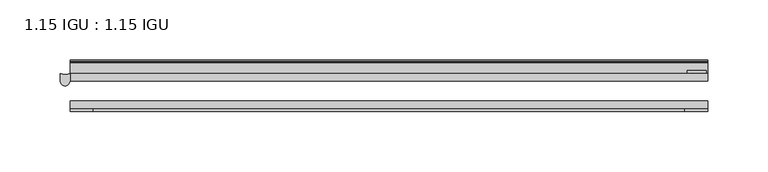
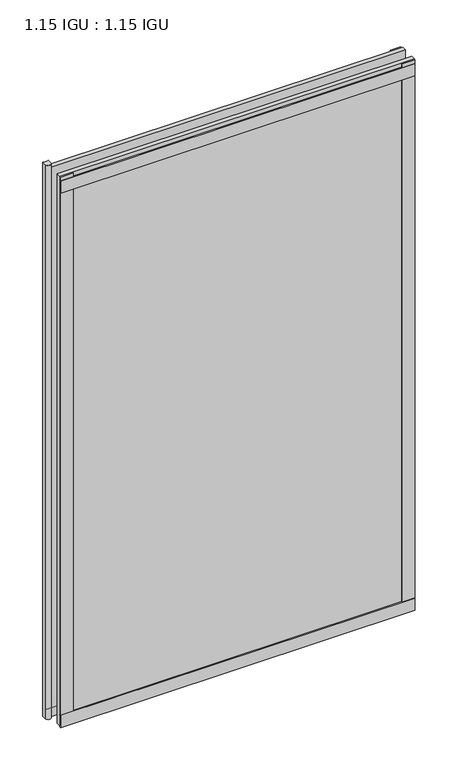
"""IFC4 building model written with IfcOpenShell, lengths in millimetres: plate geometry, 1.15 IGU : 1.15 IGU."""

from ifc_helpers import new_model, si_unit, point, frame, frame_2d, origin, place, context, project, spatial, polyline, circle_curve, ellipse_curve, trimmed, segment, composite_curve, outline, extrude, source, transform, mapped, element, save
from ifc_brep_helpers import plane_surface, revolved_surface, extruded_surface, advanced_brep


def plate_1_15_igu_1_15_igu_a8e708cb(model_context):
    return source(origin(), model_context, "Body", "SolidModel", [
        extrude(outline(polyline([(265.11885, 0.0), (265.11885, -6.2992), (-265.11885, -6.2992), (-265.11885, 0.0), (265.11885, 0.0)])), frame((0.0, 0.0, -17.4498), z_axis=(0.0, 0.0, 1.0), x_axis=(1.0, 0.0, 0.0)), (0.0, 0.0, 1.0), 868.3366072),
        extrude(outline(polyline([(-265.11885, -23.1648), (265.11885, -23.1648), (265.11885, -29.464), (-265.11885, -29.464), (-265.11885, -23.1648)])), frame((0.0, 0.0, -17.4498), z_axis=(0.0, 0.0, 1.0), x_axis=(1.0, 0.0, 0.0)), (0.0, 0.0, 1.0), 868.3366072),
        advanced_brep(
        [(-273.3683213, -0.0025551, -17.4498), (-265.11885, 0.0, -17.4498), (-265.11885, -6.2992, -17.4498), (-273.3683213, -6.2992, -17.4498), (-273.3683213, -0.0025551, 858.0242072), (-273.3683213, -6.2992, 858.0242072), (-265.1243787, -6.2992, 858.0242072), (-265.11885, 0.0, 858.0242072)],
        [
            (0, 1, circle_curve(frame((-269.24635, 8.9239208, -17.4498), z_axis=(0.0, 0.0, 1.0), x_axis=(1.0, 0.0, 0.0)), 9.8322235)),
            (1, 2),
            (2, 3, ellipse_curve(frame((-269.24635, -6.2992, -17.4498), z_axis=(0.0, 0.0, -1.0), x_axis=(1.0, 0.0, 0.0)), 4.1219713, 4.1275)),
            (3, 0),
            (4, 5),
            (5, 6, ellipse_curve(frame((-269.24635, -6.2992, 858.0242072), z_axis=(0.0, 0.0, 1.0), x_axis=(1.0, 0.0, 0.0)), 4.1219713, 4.1275)),
            (6, 7),
            (7, 4, circle_curve(frame((-269.24635, 8.9239208, 858.0242072), z_axis=(0.0, 0.0, -1.0), x_axis=(1.0, 0.0, 0.0)), 9.8322235)),
            (1, 7),
            (6, 2),
            (3, 5),
            (4, 0),
        ],
        [
            plane_surface(frame((-277.81885, 0.0, -17.4498), z_axis=(0.0, 0.0, -1.0), x_axis=(0.0, 1.0, 0.0))),
            plane_surface(frame((-277.81885, 0.0, 858.0242072), z_axis=(0.0, 0.0, 1.0), x_axis=(0.0, 1.0, 0.0))),
            plane_surface(frame((-265.11885, 0.0, -17.4498), z_axis=(1.0, 0.0, 0.0), x_axis=(0.0, 0.0, 1.0))),
            plane_surface(frame((-273.3683213, -6.2992, -17.4498), z_axis=(-1.0, 0.0, 0.0), x_axis=(0.0, 0.0, 1.0))),
            revolved_surface(polyline([(-259.4141265, 8.9239208, 858.0242072), (-259.4141265, 8.9239208, -17.4498)]), (-269.24635, 8.9239208, -17.4498), (0.0, 0.0, 1.0)),
            extruded_surface(trimmed(ellipse_curve(frame((-269.24635, -6.2992, 858.0242072), z_axis=(0.0, 0.0, -1.0), x_axis=(1.0, 0.0, 0.0)), 4.1219713, 4.1275), [point((-265.1243787, -6.2992, 858.0242072))], [point((-273.3683213, -6.2992, 858.0242072))], True, "CARTESIAN"), (0.0, 0.0, -875.4740072), 875.4740072),
        ],
        [
            (0, [[1, 2, 3, 4]]),
            (1, [[5, 6, 7, 8]]),
            (2, [[-2, 9, -7, 10]]),
            (3, [[-4, 11, -5, 12]]),
            (4, [[-1, -12, -8, -9]]),
            (5, [[-3, -10, -6, -11]]),
        ],
    ),
        extrude(outline(polyline([(-265.11885, -31.75), (-265.11885, -29.464), (265.11885, -29.464), (265.11885, -31.75), (-265.11885, -31.75)])), frame((0.0, 0.0, -19.05), z_axis=(0.0, 0.0, 1.0), x_axis=(1.0, 0.0, 0.0)), (0.0, 0.0, 1.0), 19.05),
        extrude(outline(composite_curve([segment(trimmed(circle_curve(frame_2d((13.6593785, 32.4202472)), 31.3046461), [point((0.0, 4.2528503))], [point((9.3980339, 1.406995))], True, "CARTESIAN"), True, "CONTINUOUS"), segment(polyline([(9.3980339, 1.406995), (9.3980339, 0.0254), (6.35, 0.0254), (6.35, -5.1625788), (7.7309478, -5.3970663), (6.35, -8.0073788), (6.35, -11.8471127)]), True, "CONTINUOUS"), segment(trimmed(circle_curve(frame_2d((5.334, -11.8471127)), 1.016), [point((6.35, -11.8471127))], [point((4.6284878, -12.5782136))], False, "CARTESIAN"), True, "CONTINUOUS"), segment(trimmed(circle_curve(frame_2d((-23.3689302, -41.5910901)), 40.3187601), [point((4.6284878, -12.5782136))], [point((0.0, -8.735413))], True, "CARTESIAN"), True, "CONTINUOUS"), segment(polyline([(0.0, -8.735413), (0.0, 4.2528503)]), True, "CONTINUOUS")], self_intersect=False)), frame((-265.11885, 0.0, 0.0), z_axis=(1.0, 0.0, 0.0), x_axis=(0.0, 1.0, 0.0)), (0.0, 0.0, 1.0), 530.2377),
        extrude(outline(composite_curve([segment(polyline([(8.509, 840.7300284), (8.509, 838.6980284), (6.35, 838.6980284), (6.35, 833.3640284), (8.9492698, 833.3640284)]), True, "CONTINUOUS"), segment(trimmed(circle_curve(frame_2d((8.208689, 831.8368072)), 1.697311), [point((8.9492698, 833.3640284))], [point((8.962411, 830.3160284))], False, "CARTESIAN"), True, "CONTINUOUS"), segment(polyline([(8.962411, 830.3160284), (6.35, 830.3160284), (6.35, 825.4868072), (11.1252, 825.4868072), (11.1252, 824.5978072)]), True, "CONTINUOUS"), segment(trimmed(circle_curve(frame_2d((10.1092, 824.5978072)), 1.016), [point((11.1252, 824.5978072))], [point((10.1092, 823.5818072))], False, "CARTESIAN"), True, "CONTINUOUS"), segment(trimmed(circle_curve(frame_2d((10.1092, 804.1707318)), 19.4110754), [point((10.1092, 823.5818072))], [point((0.0, 820.7416075))], True, "CARTESIAN"), True, "CONTINUOUS"), segment(polyline([(0.0, 820.7416075), (0.0, 840.7300284), (8.509, 840.7300284)]), True, "CONTINUOUS")], self_intersect=False)), frame((-265.11885, 0.0, 0.0), z_axis=(1.0, 0.0, 0.0), x_axis=(0.0, 1.0, 0.0)), (0.0, 0.0, 1.0), 530.2377),
        extrude(outline(polyline([(-265.11885, -31.75), (-265.11885, -29.464), (265.11885, -29.464), (265.11885, -31.75), (-265.11885, -31.75)])), frame((0.0, 0.0, 825.4868072), z_axis=(0.0, 0.0, 1.0), x_axis=(1.0, 0.0, 0.0)), (0.0, 0.0, 1.0), 19.05),
        extrude(outline(polyline([(246.06885, -29.464), (265.11885, -29.464), (265.11885, -31.75), (246.06885, -31.75), (246.06885, -29.464)])), frame((0.0, 0.0, -17.4498), z_axis=(0.0, 0.0, 1.0), x_axis=(1.0, 0.0, 0.0)), (0.0, 0.0, 1.0), 868.3366072),
        extrude(outline(polyline([(263.91235, 2.2860088), (263.91235, 0.0021347), (248.03735, 0.0021347), (248.03735, 2.2860088), (263.91235, 2.2860088)])), frame((0.0, 0.0, -17.4498), z_axis=(0.0, 0.0, 1.0), x_axis=(1.0, 0.0, 0.0)), (0.0, 0.0, 1.0), 868.3366072),
        extrude(outline(polyline([(-265.11885, -31.75), (-265.11885, -29.464), (-246.06885, -29.464), (-246.06885, -31.75), (-265.11885, -31.75)])), frame((0.0, 0.0, -17.4498), z_axis=(0.0, 0.0, 1.0), x_axis=(1.0, 0.0, 0.0)), (0.0, 0.0, 1.0), 868.3366072),
    ])


if __name__ == "__main__":
    model = new_model("IFC4")
    model_context = context("Model", 3, world=origin())
    ifc_project = project(units=[si_unit("LENGTHUNIT", "METRE", prefix="MILLI")], contexts=[model_context])
    site = spatial("IfcSite", under=ifc_project)
    building = spatial("IfcBuilding", under=site)
    placement = place(None, origin())
    plate_1_15_igu_1_15_igu_shape = plate_1_15_igu_1_15_igu_a8e708cb(model_context)
    element("IfcPlate", 1, ObjectType="1.15 IGU : 1.15 IGU", at=placement, inside=building, context=model_context, shape_type="MappedRepresentation", body=[
        mapped(plate_1_15_igu_1_15_igu_shape, transform((0.0, 0.0, 0.0), x_axis=(1.0, 0.0, 0.0), y_axis=(0.0, 1.0, 0.0), z_axis=(0.0, 0.0, 1.0))),
    ])
    save(model, "model.ifc")
